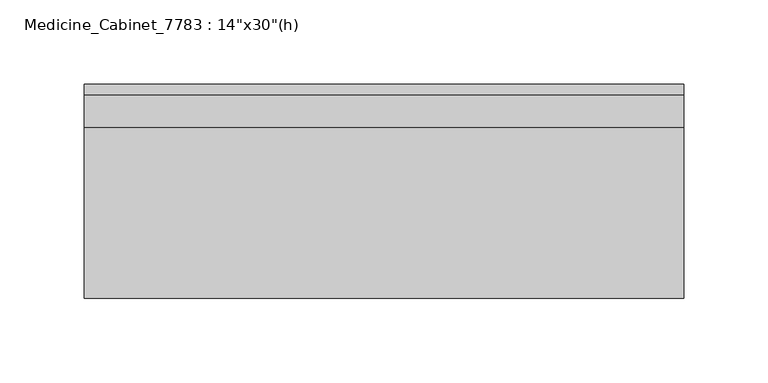
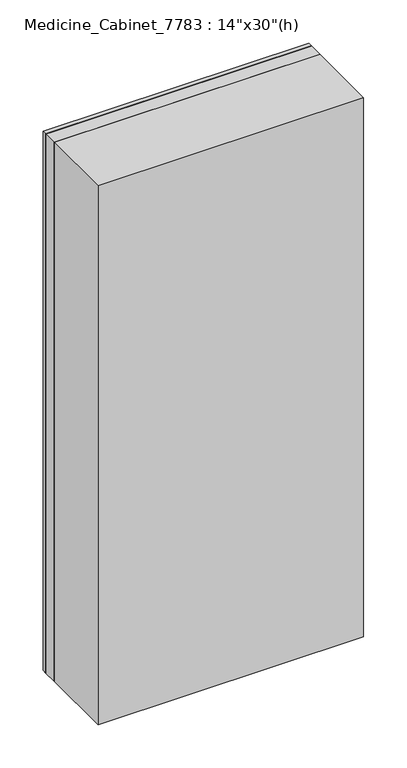
"""IFC4 building model written with IfcOpenShell, lengths in millimetres: furniture geometry."""

from ifc_helpers import new_model, si_unit, frame, origin, place, context, project, spatial, polyline, outline, extrude, faceted_brep, source, transform, mapped, element, save


def furniture_f2eb5ca3(model_context):
    return source(origin(), model_context, "Body", "SolidModel", [
        extrude(outline(polyline([(177.8, 225.425), (-177.8, 225.425), (-177.8, 231.775), (177.8, 231.775), (177.8, 225.425)])), frame((0.0, 0.0, 1270.0), z_axis=(0.0, 0.0, 1.0), x_axis=(1.0, 0.0, 0.0)), (0.0, 0.0, 1.0), 762.0),
        extrude(outline(polyline([(177.8, 206.375), (-177.8, 206.375), (-177.8, 225.425), (177.8, 225.425), (177.8, 206.375)])), frame((0.0, 0.0, 1270.0), z_axis=(0.0, 0.0, 1.0), x_axis=(1.0, 0.0, 0.0)), (0.0, 0.0, 1.0), 762.0),
        faceted_brep([(-177.8, 104.775, 2032.0), (-177.8, 104.775, 1270.0), (177.8, 104.775, 1270.0), (177.8, 104.775, 2032.0), (-177.8, 206.375, 2032.0), (-177.8, 206.375, 1270.0), (177.8, 206.375, 1270.0), (177.8, 206.375, 2032.0), (158.75, 123.825, 1514.475), (158.75, 123.825, 1289.05), (-158.75, 123.825, 1289.05), (-158.75, 123.825, 1514.475), (-158.75, 123.825, 1787.525), (-158.75, 123.825, 2012.95), (158.75, 123.825, 2012.95), (158.75, 123.825, 1787.525), (-158.75, 123.825, 1768.475), (158.75, 123.825, 1768.475), (158.75, 123.825, 1533.525), (-158.75, 123.825, 1533.525), (158.75, 206.375, 1514.475), (158.75, 206.375, 1289.05), (-158.75, 206.375, 1289.05), (-158.75, 206.375, 1514.475), (158.75, 206.375, 1768.475), (158.75, 206.375, 1533.525), (-158.75, 206.375, 1533.525), (-158.75, 206.375, 1768.475), (-158.75, 206.375, 2012.95), (-158.75, 206.375, 1787.525), (158.75, 206.375, 1787.525), (158.75, 206.375, 2012.95)], [[[0, 1, 2, 3]], [[1, 0, 4, 5]], [[2, 1, 5, 6]], [[3, 2, 6, 7]], [[8, 9, 10, 11]], [[12, 13, 14, 15]], [[16, 17, 18, 19]], [[20, 21, 9, 8]], [[21, 22, 10, 9]], [[22, 23, 11, 10]], [[23, 20, 8, 11]], [[24, 25, 18, 17]], [[25, 26, 19, 18]], [[26, 27, 16, 19]], [[4, 7, 6, 5], [20, 23, 22, 21], [27, 26, 25, 24], [28, 29, 30, 31]], [[4, 0, 3, 7]], [[28, 31, 14, 13]], [[31, 30, 15, 14]], [[30, 29, 12, 15]], [[29, 28, 13, 12]], [[27, 24, 17, 16]]]),
    ])


if __name__ == "__main__":
    model = new_model("IFC4")
    model_context = context("Model", 3, world=origin())
    ifc_project = project(units=[si_unit("LENGTHUNIT", "METRE", prefix="MILLI")], contexts=[model_context])
    site = spatial("IfcSite", under=ifc_project)
    building = spatial("IfcBuilding", under=site)
    placement = place(None, origin())
    furniture_shape = furniture_f2eb5ca3(model_context)
    element("IfcFurniture", 1, ObjectType="Medicine_Cabinet_7783 : 14\"x30\"(h)", at=placement, inside=building, context=model_context, shape_type="MappedRepresentation", body=[
        mapped(furniture_shape, transform((0.0, 0.0, 0.0), x_axis=(1.0, 0.0, 0.0), y_axis=(0.0, 1.0, 0.0), z_axis=(0.0, 0.0, 1.0))),
    ])
    save(model, "model.ifc")
